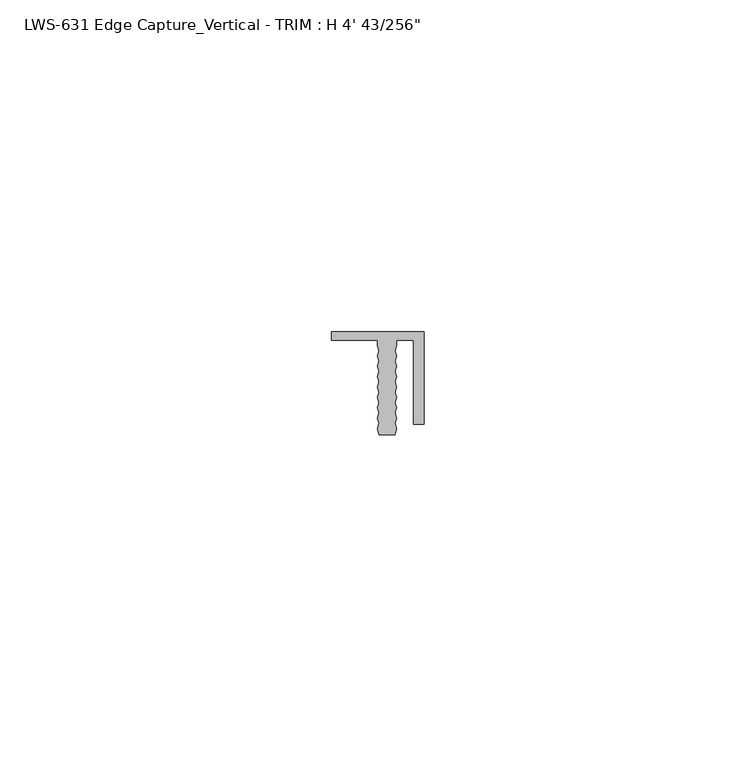
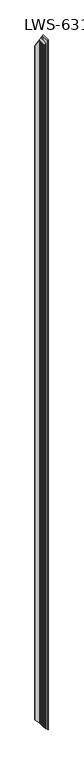
"""IFC4 building model written with IfcOpenShell, lengths in millimetres: proxy geometry."""

from ifc_helpers import new_model, si_unit, origin, place, context, project, spatial, faceted_brep, source, transform, mapped, element, save


def proxy_55c2eaf2(model_context):
    return source(origin(), model_context, "Body", "Brep", [
        faceted_brep([(12.3825, -1.27, 1221.8789062), (9.8425, -1.27, 1219.3389063), (9.8425, -1.27, 4.1275), (12.3825, -1.27, 1.5875), (9.8425, -2.0903835, 1219.3389063), (9.8425, -2.0903835, 4.1275), (9.5885, -2.8721152, 1219.0849063), (9.5885, -2.8721152, 4.3815), (9.8425, -3.6538468, 1219.3389063), (9.8425, -3.6538468, 4.1275), (9.5885, -4.4355784, 1219.0849063), (9.5885, -4.4355784, 4.3815), (9.8425, -5.21731, 1219.3389063), (9.8425, -5.21731, 4.1275), (9.5885, -5.9990416, 1219.0849063), (9.5885, -5.9990416, 4.3815), (9.8425, -6.7807732, 1219.3389063), (9.8425, -6.7807732, 4.1275), (9.5885, -7.5625049, 1219.0849063), (9.5885, -7.5625049, 4.3815), (9.8425, -8.3442365, 1219.3389063), (9.8425, -8.3442365, 4.1275), (9.5885, -9.1259681, 1219.0849063), (9.5885, -9.1259681, 4.3815), (9.8425, -9.9076997, 1219.3389063), (9.8425, -9.9076997, 4.1275), (9.5885, -10.6894313, 1219.0849063), (9.5885, -10.6894313, 4.3815), (9.8425, -11.471163, 1219.3389063), (9.8425, -11.471163, 4.1275), (9.5885, -12.2528946, 1219.0849063), (9.5885, -12.2528946, 4.3815), (9.8425, -13.0346262, 1219.3389063), (9.8425, -13.0346262, 4.1275), (9.5885, -13.8163578, 1219.0849063), (9.5885, -13.8163578, 4.3815), (9.8425, -14.5980894, 1219.3389063), (9.8425, -14.5980894, 4.1275), (9.5885, -15.5575, 1219.0849063), (9.5885, -15.5575, 4.3815), (7.1755, -15.5575, 1216.6719063), (7.1755, -15.5575, 6.7945), (6.9215, -14.5980894, 1216.4179063), (6.9215, -14.5980894, 7.0485), (7.1755, -13.8163578, 1216.6719063), (7.1755, -13.8163578, 6.7945), (6.9215, -13.0346262, 1216.4179063), (6.9215, -13.0346262, 7.0485), (7.1755, -12.2528946, 1216.6719063), (7.1755, -12.2528946, 6.7945), (6.9215, -11.471163, 1216.4179063), (6.9215, -11.471163, 7.0485), (7.1755, -10.6894313, 1216.6719063), (7.1755, -10.6894313, 6.7945), (6.9215, -9.9076997, 1216.4179063), (6.9215, -9.9076997, 7.0485), (7.1755, -9.1259681, 1216.6719063), (7.1755, -9.1259681, 6.7945), (6.9215, -8.3442365, 1216.4179063), (6.9215, -8.3442365, 7.0485), (7.1755, -7.5625049, 1216.6719063), (7.1755, -7.5625049, 6.7945), (6.9215, -6.7807732, 1216.4179063), (6.9215, -6.7807732, 7.0485), (7.1755, -5.9990416, 1216.6719063), (7.1755, -5.9990416, 6.7945), (6.9215, -5.21731, 1216.4179063), (6.9215, -5.21731, 7.0485), (7.1755, -4.4355784, 1216.6719063), (7.1755, -4.4355784, 6.7945), (6.9215, -3.6538468, 1216.4179063), (6.9215, -3.6538468, 7.0485), (7.1755, -2.8721152, 1216.6719063), (7.1755, -2.8721152, 6.7945), (6.9215, -2.0903835, 1216.4179063), (6.9215, -2.0903835, 7.0485), (6.9215, -1.27, 1216.4179063), (6.9215, -1.27, 7.0485), (0.0, -1.27, 1209.4964063), (0.0, -1.27, 13.97), (0.0, 0.0, 1209.4964063), (0.0, 0.0, 13.97), (13.97, 0.0, 0.0), (13.97, 0.0, 1223.4664062), (13.97, -13.97, 1223.4664062), (13.97, -13.97, 0.0), (12.3825, -13.97, 1221.8789062), (12.3825, -13.97, 1.5875)], [[[0, 1, 2, 3]], [[1, 4, 5, 2]], [[4, 6, 7, 5]], [[6, 8, 9, 7]], [[8, 10, 11, 9]], [[10, 12, 13, 11]], [[12, 14, 15, 13]], [[14, 16, 17, 15]], [[16, 18, 19, 17]], [[18, 20, 21, 19]], [[20, 22, 23, 21]], [[22, 24, 25, 23]], [[24, 26, 27, 25]], [[26, 28, 29, 27]], [[28, 30, 31, 29]], [[30, 32, 33, 31]], [[32, 34, 35, 33]], [[34, 36, 37, 35]], [[36, 38, 39, 37]], [[38, 40, 41, 39]], [[40, 42, 43, 41]], [[42, 44, 45, 43]], [[44, 46, 47, 45]], [[46, 48, 49, 47]], [[48, 50, 51, 49]], [[50, 52, 53, 51]], [[52, 54, 55, 53]], [[54, 56, 57, 55]], [[56, 58, 59, 57]], [[58, 60, 61, 59]], [[60, 62, 63, 61]], [[62, 64, 65, 63]], [[64, 66, 67, 65]], [[66, 68, 69, 67]], [[68, 70, 71, 69]], [[70, 72, 73, 71]], [[72, 74, 75, 73]], [[74, 76, 77, 75]], [[76, 78, 79, 77]], [[78, 80, 81, 79]], [[82, 81, 80, 83]], [[83, 84, 85, 82]], [[84, 86, 87, 85]], [[3, 87, 86, 0]], [[0, 86, 84, 83, 80, 78, 76, 74, 72, 70, 68, 66, 64, 62, 60, 58, 56, 54, 52, 50, 48, 46, 44, 42, 40, 38, 36, 34, 32, 30, 28, 26, 24, 22, 20, 18, 16, 14, 12, 10, 8, 6, 4, 1]], [[2, 5, 7, 9, 11, 13, 15, 17, 19, 21, 23, 25, 27, 29, 31, 33, 35, 37, 39, 41, 43, 45, 47, 49, 51, 53, 55, 57, 59, 61, 63, 65, 67, 69, 71, 73, 75, 77, 79, 81, 82, 85, 87, 3]]]),
    ])


if __name__ == "__main__":
    model = new_model("IFC4")
    model_context = context("Model", 3, world=origin())
    ifc_project = project(units=[si_unit("LENGTHUNIT", "METRE", prefix="MILLI")], contexts=[model_context])
    site = spatial("IfcSite", under=ifc_project)
    building = spatial("IfcBuilding", under=site)
    placement = place(None, origin())
    proxy_shape = proxy_55c2eaf2(model_context)
    element("IfcBuildingElementProxy", 1, Name="LWS-631 Edge Capture_Vertical - TRIM : H 4' 43/256\"", ObjectType="LWS-631 Edge Capture_Vertical - TRIM : H 4' 43/256\"", at=placement, inside=building, context=model_context, shape_type="MappedRepresentation", body=[
        mapped(proxy_shape, transform((0.0, 0.0, 0.0), x_axis=(1.0, 0.0, 0.0), y_axis=(0.0, 1.0, 0.0), z_axis=(0.0, 0.0, 1.0))),
    ])
    save(model, "model.ifc")
